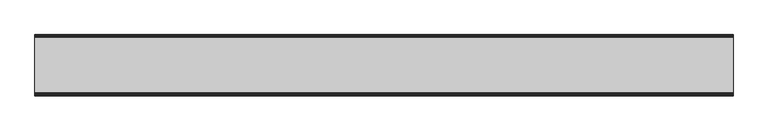
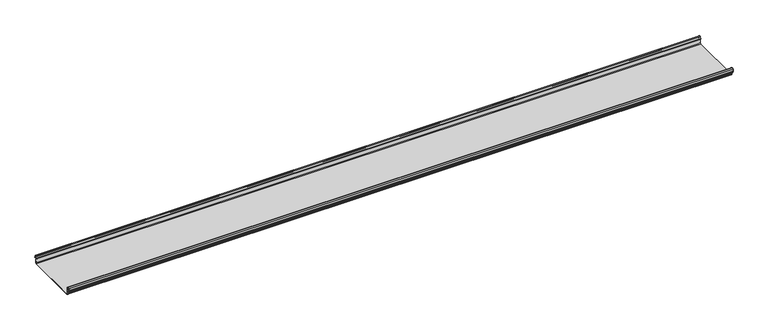
"""IFC4 building model written with IfcOpenShell, lengths in millimetres: beam geometry."""

from ifc_helpers import new_model, si_unit, frame, origin, place, context, project, spatial, polyline, circle_curve, source, transform, mapped, element, save
from ifc_brep_helpers import plane_surface, cylinder_surface, revolved_surface, advanced_brep


def beam_9881de9e(model_context):
    return source(origin(), model_context, "Body", "AdvancedBrep", [
        advanced_brep(
        [(2010.2907086, 174.5298471, 17.4730576), (2010.2907086, 169.9958217, 21.2486363), (2010.2907086, 165.4890072, 17.6093124), (2010.2907086, 163.0420077, 6.2503755), (2010.2907086, 164.7006671, 3.7959761), (2010.2907086, 165.8698319, 2.0849359), (2010.2907086, 164.3793103, -21.3247551), (2010.2907086, 160.6848586, -24.7896475), (2010.2907086, -159.5640942, -24.7896475), (2010.2907086, -163.2568715, -21.3207217), (2010.2907086, -164.7263748, 2.1632779), (2010.2907086, -164.0984471, 3.0966958), (2010.2907086, -161.8868093, 6.1624874), (2010.2907086, -162.770348, 17.3389905), (2010.2907086, -170.0, 24.0196704), (2010.2907086, -177.229652, 17.3389905), (2010.2907086, -178.1131907, 6.1624874), (2010.2907086, -175.9015529, 3.0966958), (2010.2907086, -175.2736252, 2.1632779), (2010.2907086, -175.6653397, -4.0966758), (2010.2907086, -174.6633838, -4.0966758), (2010.2907086, -174.255975, 2.4140875), (2010.2907086, -175.661391, 4.0675496), (2010.2907086, -177.1158116, 6.08368), (2010.2907086, -176.2261211, 17.3379999), (2010.2907086, -170.0, 23.0196704), (2010.2907086, -163.767144, 17.2589936), (2010.2907086, -162.8795452, 6.0037927), (2010.2907086, -164.338609, 4.0675496), (2010.2907086, -165.744025, 2.4140875), (2010.2907086, -164.2549195, -21.3831743), (2010.2907086, -159.5640942, -25.7896475), (2010.2907086, 160.6846135, -25.7896475), (2010.2907086, 165.3772895, -21.3882975), (2010.2907086, 166.868024, 2.0247376), (2010.2907086, 164.9644432, 4.7613501), (2010.2907086, 164.0277999, 6.0779003), (2010.2907086, 166.4434849, 17.2822335), (2010.2907086, 170.0063307, 20.2496221), (2010.2907086, 173.4803249, 17.6539317), (2010.2907086, 175.5075757, 6.5459412), (2010.2907086, 176.5074356, 6.7299959), (-2010.2907086, 174.5298471, 17.4730576), (-2010.2907086, 176.5074356, 6.7299959), (-2010.2907086, 175.5075757, 6.5459412), (-2010.2907086, 173.4803249, 17.6539317), (-2010.2907086, 170.0063307, 20.2496221), (-2010.2907086, 166.4434849, 17.2822335), (-2010.2907086, 164.0277999, 6.0779003), (-2010.2907086, 164.9644432, 4.7613501), (-2010.2907086, 166.868024, 2.0247376), (-2010.2907086, 165.3772895, -21.3882975), (-2010.2907086, 160.6846135, -25.7896475), (-2010.2907086, -159.5640942, -25.7896475), (-2010.2907086, -164.2549195, -21.3831743), (-2010.2907086, -165.744025, 2.4140875), (-2010.2907086, -164.338609, 4.0675496), (-2010.2907086, -162.8795452, 6.0037927), (-2010.2907086, -163.767144, 17.2589936), (-2010.2907086, -170.0, 23.0196704), (-2010.2907086, -176.2261211, 17.3379999), (-2010.2907086, -177.1158116, 6.08368), (-2010.2907086, -175.661391, 4.0675496), (-2010.2907086, -174.255975, 2.4140875), (-2010.2907086, -174.6633838, -4.0966758), (-2010.2907086, -175.6653397, -4.0966758), (-2010.2907086, -175.2736252, 2.1632779), (-2010.2907086, -175.9015529, 3.0966958), (-2010.2907086, -178.1066021, 6.2458324), (-2010.2907086, -177.229652, 17.3389905), (-2010.2907086, -170.0, 24.0196704), (-2010.2907086, -162.770348, 17.3389905), (-2010.2907086, -161.8868093, 6.1624874), (-2010.2907086, -164.0984471, 3.0966958), (-2010.2907086, -164.7263748, 2.1632779), (-2010.2907086, -163.2568715, -21.3207217), (-2010.2907086, -159.5640942, -24.7896475), (-2010.2907086, 160.6848586, -24.7896475), (-2010.2907086, 164.3793103, -21.3247551), (-2010.2907086, 165.8698319, 2.0849359), (-2010.2907086, 164.7006671, 3.7959761), (-2010.2907086, 163.0420077, 6.2503755), (-2010.2907086, 165.4890072, 17.6093124), (-2010.2907086, 169.9958217, 21.2486363)],
        [
            (0, 1, circle_curve(frame((2010.2907086, 169.9958217, 16.6384317), z_axis=(1.0, 0.0, 0.0), x_axis=(0.0, -1.0, 0.0)), 4.6102046)),
            (1, 2, circle_curve(frame((2010.2907086, 169.9958217, 16.6384317), z_axis=(1.0, 0.0, 0.0), x_axis=(0.0, -1.0, 0.0)), 4.6102046)),
            (2, 3),
            (3, 4, circle_curve(frame((2010.2907086, 165.4262002, 6.073937), z_axis=(1.0, 0.0, 0.0), x_axis=(0.0, -1.0, 0.0)), 2.3907121)),
            (4, 5, circle_curve(frame((2010.2907086, 164.1897695, 2.1919074), z_axis=(-1.0, 0.0, 0.0), x_axis=(0.0, -1.0, 0.0)), 1.6834645)),
            (5, 6),
            (6, 7, circle_curve(frame((2010.2907086, 160.6867875, -21.089648), z_axis=(-1.0, 0.0, 0.0), x_axis=(0.0, -1.0, 0.0)), 3.7)),
            (7, 8),
            (8, 9, circle_curve(frame((2010.2907086, -159.5640942, -21.0896475), z_axis=(-1.0, 0.0, 0.0), x_axis=(0.0, -1.0, 0.0)), 3.7)),
            (9, 10),
            (10, 11, circle_curve(frame((2010.2907086, -163.8044049, 2.2209698), z_axis=(-1.0, 0.0, 0.0), x_axis=(0.0, -1.0, 0.0)), 0.9237732)),
            (11, 12, circle_curve(frame((2010.2907086, -164.7984694, 5.9323112), z_axis=(1.0, 0.0, 0.0), x_axis=(0.0, -1.0, 0.0)), 2.9207441)),
            (12, 13),
            (13, 14, circle_curve(frame((2010.2907086, -170.0, 16.7674631), z_axis=(1.0, 0.0, 0.0), x_axis=(0.0, -1.0, 0.0)), 7.2522073)),
            (14, 15, circle_curve(frame((2010.2907086, -170.0, 16.7674631), z_axis=(1.0, 0.0, 0.0), x_axis=(0.0, -1.0, 0.0)), 7.2522073)),
            (15, 16),
            (16, 17, circle_curve(frame((2010.2907086, -175.2001089, 5.9344165), z_axis=(1.0, 0.0, 0.0), x_axis=(0.0, -1.0, 0.0)), 2.9231288)),
            (17, 18, circle_curve(frame((2010.2907086, -176.1025472, 2.2835649), z_axis=(-1.0, 0.0, 0.0), x_axis=(0.0, -1.0, 0.0)), 0.8376041)),
            (18, 19),
            (19, 20, circle_curve(frame((2010.2907086, -175.1643617, -4.0966758), z_axis=(1.0, 0.0, 0.0), x_axis=(0.0, -1.0, 0.0)), 0.5009779)),
            (20, 21),
            (21, 22, circle_curve(frame((2010.2907086, -176.1062911, 2.2653702), z_axis=(1.0, 0.0, 0.0), x_axis=(0.0, -1.0, 0.0)), 1.856283)),
            (22, 23, circle_curve(frame((2010.2907086, -175.2010412, 5.9323112), z_axis=(-1.0, 0.0, 0.0), x_axis=(0.0, -1.0, 0.0)), 1.9207441)),
            (23, 24),
            (24, 25, circle_curve(frame((2010.2907086, -170.0770494, 16.8518958), z_axis=(-1.0, 0.0, 0.0), x_axis=(0.0, -1.0, 0.0)), 6.1682558)),
            (25, 26, circle_curve(frame((2010.2907086, -170.0791743, 16.6817991), z_axis=(-1.0, 0.0, 0.0), x_axis=(0.0, -1.0, 0.0)), 6.3383658)),
            (26, 27),
            (27, 28, circle_curve(frame((2010.2907086, -164.70299, 5.8599936), z_axis=(-1.0, 0.0, 0.0), x_axis=(0.0, -1.0, 0.0)), 1.8291061)),
            (28, 29, circle_curve(frame((2010.2907086, -163.9886548, 2.3460727), z_axis=(1.0, 0.0, 0.0), x_axis=(0.0, -1.0, 0.0)), 1.7566874)),
            (29, 30),
            (30, 31, circle_curve(frame((2010.2907086, -159.5640942, -21.0896475), z_axis=(1.0, 0.0, 0.0), x_axis=(0.0, -1.0, 0.0)), 4.7)),
            (31, 32),
            (32, 33, circle_curve(frame((2010.2907086, 160.6846135, -21.0873301), z_axis=(1.0, 0.0, 0.0), x_axis=(0.0, -1.0, 0.0)), 4.7023174)),
            (33, 34),
            (34, 35, circle_curve(frame((2010.2907086, 164.1939121, 2.1950013), z_axis=(1.0, 0.0, 0.0), x_axis=(0.0, -1.0, 0.0)), 2.6795268)),
            (35, 36, circle_curve(frame((2010.2907086, 165.0972859, 5.8473161), z_axis=(-1.0, 0.0, 0.0), x_axis=(0.0, -1.0, 0.0)), 1.094061)),
            (36, 37),
            (37, 38, circle_curve(frame((2010.2907086, 170.0063307, 16.627032), z_axis=(-1.0, 0.0, 0.0), x_axis=(0.0, -1.0, 0.0)), 3.6225901)),
            (38, 39, circle_curve(frame((2010.2907086, 170.0063307, 16.627032), z_axis=(-1.0, 0.0, 0.0), x_axis=(0.0, -1.0, 0.0)), 3.6225901)),
            (39, 40),
            (40, 41, circle_curve(frame((2010.2907086, 176.0075057, 6.6379685), z_axis=(1.0, 0.0, 0.0), x_axis=(0.0, -1.0, 0.0)), 0.5083296)),
            (41, 0),
            (42, 43),
            (43, 44, circle_curve(frame((-2010.2907086, 176.0075057, 6.6379685), z_axis=(-1.0, 0.0, 0.0), x_axis=(0.0, -1.0, 0.0)), 0.5083296)),
            (44, 45),
            (45, 46, circle_curve(frame((-2010.2907086, 170.0063307, 16.627032), z_axis=(1.0, 0.0, 0.0), x_axis=(0.0, -1.0, 0.0)), 3.6225901)),
            (46, 47, circle_curve(frame((-2010.2907086, 170.0063307, 16.627032), z_axis=(1.0, 0.0, 0.0), x_axis=(0.0, -1.0, 0.0)), 3.6225901)),
            (47, 48),
            (48, 49, circle_curve(frame((-2010.2907086, 165.0972859, 5.8473161), z_axis=(1.0, 0.0, 0.0), x_axis=(0.0, -1.0, 0.0)), 1.094061)),
            (49, 50, circle_curve(frame((-2010.2907086, 164.1939121, 2.1950013), z_axis=(-1.0, 0.0, 0.0), x_axis=(0.0, -1.0, 0.0)), 2.6795268)),
            (50, 51),
            (51, 52, circle_curve(frame((-2010.2907086, 160.6846135, -21.0873301), z_axis=(-1.0, 0.0, 0.0), x_axis=(0.0, -1.0, 0.0)), 4.7023174)),
            (52, 53),
            (53, 54, circle_curve(frame((-2010.2907086, -159.5640942, -21.0896475), z_axis=(-1.0, 0.0, 0.0), x_axis=(0.0, -1.0, 0.0)), 4.7)),
            (54, 55),
            (55, 56, circle_curve(frame((-2010.2907086, -163.9886548, 2.3460727), z_axis=(-1.0, 0.0, 0.0), x_axis=(0.0, -1.0, 0.0)), 1.7566874)),
            (56, 57, circle_curve(frame((-2010.2907086, -164.70299, 5.8599936), z_axis=(1.0, 0.0, 0.0), x_axis=(0.0, -1.0, 0.0)), 1.8291061)),
            (57, 58),
            (58, 59, circle_curve(frame((-2010.2907086, -170.0791743, 16.6817991), z_axis=(1.0, 0.0, 0.0), x_axis=(0.0, -1.0, 0.0)), 6.3383658)),
            (59, 60, circle_curve(frame((-2010.2907086, -170.0770494, 16.8518958), z_axis=(1.0, 0.0, 0.0), x_axis=(0.0, -1.0, 0.0)), 6.1682558)),
            (60, 61),
            (61, 62, circle_curve(frame((-2010.2907086, -175.2010412, 5.9323112), z_axis=(1.0, 0.0, 0.0), x_axis=(0.0, -1.0, 0.0)), 1.9207441)),
            (62, 63, circle_curve(frame((-2010.2907086, -176.1062911, 2.2653702), z_axis=(-1.0, 0.0, 0.0), x_axis=(0.0, -1.0, 0.0)), 1.856283)),
            (63, 64),
            (64, 65, circle_curve(frame((-2010.2907086, -175.1643617, -4.0966758), z_axis=(-1.0, 0.0, 0.0), x_axis=(0.0, -1.0, 0.0)), 0.5009779)),
            (65, 66),
            (66, 67, circle_curve(frame((-2010.2907086, -176.1025472, 2.2835649), z_axis=(1.0, 0.0, 0.0), x_axis=(0.0, -1.0, 0.0)), 0.8376041)),
            (67, 68, circle_curve(frame((-2010.2907086, -175.2001089, 5.9344165), z_axis=(-1.0, 0.0, 0.0), x_axis=(0.0, -1.0, 0.0)), 2.9231288)),
            (68, 69),
            (69, 70, circle_curve(frame((-2010.2907086, -170.0, 16.7674631), z_axis=(-1.0, 0.0, 0.0), x_axis=(0.0, -1.0, 0.0)), 7.2522073)),
            (70, 71, circle_curve(frame((-2010.2907086, -170.0, 16.7674631), z_axis=(-1.0, 0.0, 0.0), x_axis=(0.0, -1.0, 0.0)), 7.2522073)),
            (71, 72),
            (72, 73, circle_curve(frame((-2010.2907086, -164.7984694, 5.9323112), z_axis=(-1.0, 0.0, 0.0), x_axis=(0.0, -1.0, 0.0)), 2.9207441)),
            (73, 74, circle_curve(frame((-2010.2907086, -163.8044049, 2.2209698), z_axis=(1.0, 0.0, 0.0), x_axis=(0.0, -1.0, 0.0)), 0.9237732)),
            (74, 75),
            (75, 76, circle_curve(frame((-2010.2907086, -159.5640942, -21.0896475), z_axis=(1.0, 0.0, 0.0), x_axis=(0.0, -1.0, 0.0)), 3.7)),
            (76, 77),
            (77, 78, circle_curve(frame((-2010.2907086, 160.6867875, -21.089648), z_axis=(1.0, 0.0, 0.0), x_axis=(0.0, -1.0, 0.0)), 3.7)),
            (78, 79),
            (79, 80, circle_curve(frame((-2010.2907086, 164.1897695, 2.1919074), z_axis=(1.0, 0.0, 0.0), x_axis=(0.0, -1.0, 0.0)), 1.6834645)),
            (80, 81, circle_curve(frame((-2010.2907086, 165.4262002, 6.073937), z_axis=(-1.0, 0.0, 0.0), x_axis=(0.0, -1.0, 0.0)), 2.3907121)),
            (81, 82),
            (82, 83, circle_curve(frame((-2010.2907086, 169.9958217, 16.6384317), z_axis=(-1.0, 0.0, 0.0), x_axis=(0.0, -1.0, 0.0)), 4.6102046)),
            (83, 42, circle_curve(frame((-2010.2907086, 169.9958217, 16.6384317), z_axis=(-1.0, 0.0, 0.0), x_axis=(0.0, -1.0, 0.0)), 4.6102046)),
            (42, 0),
            (41, 43),
            (40, 44),
            (39, 45),
            (38, 46),
            (37, 47),
            (36, 48),
            (35, 49),
            (34, 50),
            (33, 51),
            (32, 52),
            (31, 53),
            (30, 54),
            (29, 55),
            (28, 56),
            (27, 57),
            (26, 58),
            (25, 59),
            (24, 60),
            (23, 61),
            (22, 62),
            (21, 63),
            (20, 64),
            (19, 65),
            (18, 66),
            (17, 67),
            (16, 68),
            (15, 69),
            (14, 70),
            (13, 71),
            (12, 72),
            (11, 73),
            (10, 74),
            (9, 75),
            (8, 76),
            (7, 77),
            (6, 78),
            (5, 79),
            (4, 80),
            (3, 81),
            (2, 82),
            (1, 83),
        ],
        [
            plane_surface(frame((2010.2907086, 176.5074356, 6.7299959), z_axis=(1.0000000000000002, 0.0, 0.0), x_axis=(0.0, -0.18103878268248824, 0.9834759575936989))),
            plane_surface(frame((-2010.2907086, 176.5074356, 6.7299959), z_axis=(-1.0000000000000002, 0.0, 0.0), x_axis=(0.0, 0.18103878268248824, -0.9834759575936989))),
            plane_surface(frame((-2010.2907086, 174.5298471, 17.4730576), z_axis=(0.0, 0.9834759575936989, 0.18103878268248824), x_axis=(1.0, 0.0, 0.0))),
            cylinder_surface(frame((2010.2907086, 176.0075057, 6.6379685), z_axis=(-1.0, 0.0, 0.0), x_axis=(0.0, -1.0, 0.0)), 0.5083296),
            plane_surface(frame((-2010.2907086, 175.5075757, 6.5459412), z_axis=(0.0, -0.9837509798367421, -0.17953832368118477), x_axis=(1.0, 0.0, 0.0))),
            revolved_surface(polyline([(2010.2907086, 166.3837406, 16.627032), (-2010.2907086, 166.3837406, 16.627032)]), (2010.2907086, 170.0063307, 16.627032), (1.0, 0.0, 0.0)),
            plane_surface(frame((-2010.2907086, 166.4434849, 17.2822335), z_axis=(0.0, 0.977537868063593, -0.21075985505234474), x_axis=(1.0, 0.0, 0.0))),
            revolved_surface(polyline([(2010.2907086, 164.0032249, 5.8473161), (-2010.2907086, 164.0032249, 5.8473161)]), (2010.2907086, 165.0972859, 5.8473161), (1.0, 0.0, 0.0)),
            cylinder_surface(frame((2010.2907086, 164.1939121, 2.1950013), z_axis=(-1.0, 0.0, 0.0), x_axis=(0.0, -1.0, 0.0)), 2.6795268),
            plane_surface(frame((-2010.2907086, 166.868024, 2.0247376), z_axis=(0.0, 0.9979791357337671, -0.06354246328309475), x_axis=(1.0, 0.0, 0.0))),
            cylinder_surface(frame((2010.2907086, 160.6846135, -21.0873301), z_axis=(-1.0, 0.0, 0.0), x_axis=(0.0, -1.0, 0.0)), 4.7023174),
            plane_surface(frame((-2010.2907086, 160.6846135, -25.7896475), z_axis=(0.0, 0.0, -1.0), x_axis=(1.0, 0.0, 0.0))),
            cylinder_surface(frame((2010.2907086, -159.5640942, -21.0896475), z_axis=(-1.0, 0.0, 0.0), x_axis=(0.0, -1.0, 0.0)), 4.7),
            plane_surface(frame((-2010.2907086, -164.2549195, -21.3831743), z_axis=(0.0, -0.998047936803975, -0.062452508687232275), x_axis=(1.0, 0.0, 0.0))),
            cylinder_surface(frame((2010.2907086, -163.9886548, 2.3460727), z_axis=(-1.0, 0.0, 0.0), x_axis=(0.0, -1.0, 0.0)), 1.7566874),
            revolved_surface(polyline([(2010.2907086, -166.5320961, 5.8599936), (-2010.2907086, -166.5320961, 5.8599936)]), (2010.2907086, -164.70299, 5.8599936), (1.0, 0.0, 0.0)),
            plane_surface(frame((-2010.2907086, -162.8795452, 6.0037927), z_axis=(0.0, -0.9969048840808036, -0.07861712342638659), x_axis=(1.0, 0.0, 0.0))),
            revolved_surface(polyline([(2010.2907086, -176.4175401, 16.6817991), (-2010.2907086, -176.4175401, 16.6817991)]), (2010.2907086, -170.0791743, 16.6817991), (1.0, 0.0, 0.0)),
            revolved_surface(polyline([(2010.2907086, -176.2453052, 16.8518958), (-2010.2907086, -176.2453052, 16.8518958)]), (2010.2907086, -170.0770494, 16.8518958), (1.0, 0.0, 0.0)),
            plane_surface(frame((-2010.2907086, -176.2261211, 17.3379999), z_axis=(0.0, 0.9968898625471324, -0.07880737243912894), x_axis=(1.0, 0.0, 0.0))),
            revolved_surface(polyline([(2010.2907086, -177.1217853, 5.9323112), (-2010.2907086, -177.1217853, 5.9323112)]), (2010.2907086, -175.2010412, 5.9323112), (1.0, 0.0, 0.0)),
            cylinder_surface(frame((2010.2907086, -176.1062911, 2.2653702), z_axis=(-1.0, 0.0, 0.0), x_axis=(0.0, -1.0, 0.0)), 1.856283),
            plane_surface(frame((-2010.2907086, -174.255975, 2.4140875), z_axis=(0.0, 0.9980479368039775, -0.062452508687190836), x_axis=(1.0, 0.0, 0.0))),
            cylinder_surface(frame((2010.2907086, -175.1643617, -4.0966758), z_axis=(-1.0, 0.0, 0.0), x_axis=(0.0, -1.0, 0.0)), 0.5009779),
            plane_surface(frame((-2010.2907086, -175.6653397, -4.0966758), z_axis=(0.0, -0.9980479368039783, 0.0624525086871798), x_axis=(1.0, 0.0, 0.0))),
            revolved_surface(polyline([(2010.2907086, -176.9401513, 2.2835649), (-2010.2907086, -176.9401513, 2.2835649)]), (2010.2907086, -176.1025472, 2.2835649), (1.0, 0.0, 0.0)),
            cylinder_surface(frame((2010.2907086, -175.2001089, 5.9344165), z_axis=(-1.0, 0.0, 0.0), x_axis=(0.0, -1.0, 0.0)), 2.9231288),
            plane_surface(frame((-2010.2907086, -178.1131907, 6.1624874), z_axis=(0.0, -0.9968898625471329, 0.07880737243912257), x_axis=(1.0, 0.0, 0.0))),
            cylinder_surface(frame((2010.2907086, -170.0, 16.7674631), z_axis=(-1.0, 0.0, 0.0), x_axis=(0.0, -1.0, 0.0)), 7.2522073),
            plane_surface(frame((-2010.2907086, -162.770348, 17.3389905), z_axis=(0.0, 0.9968898625471306, 0.07880737243915131), x_axis=(1.0, 0.0, 0.0))),
            cylinder_surface(frame((2010.2907086, -164.7984694, 5.9323112), z_axis=(-1.0, 0.0, 0.0), x_axis=(0.0, -1.0, 0.0)), 2.9207441),
            revolved_surface(polyline([(2010.2907086, -164.7281781, 2.2209698), (-2010.2907086, -164.7281781, 2.2209698)]), (2010.2907086, -163.8044049, 2.2209698), (1.0, 0.0, 0.0)),
            plane_surface(frame((-2010.2907086, -164.7263748, 2.1632779), z_axis=(0.0, 0.9980479368039752, 0.062452508687228465), x_axis=(1.0, 0.0, 0.0))),
            revolved_surface(polyline([(2010.2907086, -163.2640942, -21.0896475), (-2010.2907086, -163.2640942, -21.0896475)]), (2010.2907086, -159.5640942, -21.0896475), (1.0, 0.0, 0.0)),
            plane_surface(frame((-2010.2907086, -159.5640942, -24.7896475), z_axis=(0.0, 0.0, 1.0), x_axis=(1.0, 0.0, 0.0))),
            revolved_surface(polyline([(2010.2907086, 156.98678750000002, -21.089648), (-2010.2907086, 156.98678750000002, -21.089648)]), (2010.2907086, 160.6867875, -21.089648), (1.0, 0.0, 0.0)),
            plane_surface(frame((-2010.2907086, 164.3793103, -21.3247551), z_axis=(0.0, -0.9979791357337673, 0.06354246328309172), x_axis=(1.0, 0.0, 0.0))),
            revolved_surface(polyline([(2010.2907086, 162.506305, 2.1919074), (-2010.2907086, 162.506305, 2.1919074)]), (2010.2907086, 164.1897695, 2.1919074), (1.0, 0.0, 0.0)),
            cylinder_surface(frame((2010.2907086, 165.4262002, 6.073937), z_axis=(-1.0, 0.0, 0.0), x_axis=(0.0, -1.0, 0.0)), 2.3907121),
            plane_surface(frame((-2010.2907086, 163.0420077, 6.2503755), z_axis=(0.0, -0.9775736456656271, 0.21059384440200307), x_axis=(1.0, 0.0, 0.0))),
            cylinder_surface(frame((2010.2907086, 169.9958217, 16.6384317), z_axis=(-1.0, 0.0, 0.0), x_axis=(0.0, -1.0, 0.0)), 4.6102046),
        ],
        [
            (0, [[1, 2, 3, 4, 5, 6, 7, 8, 9, 10, 11, 12, 13, 14, 15, 16, 17, 18, 19, 20, 21, 22, 23, 24, 25, 26, 27, 28, 29, 30, 31, 32, 33, 34, 35, 36, 37, 38, 39, 40, 41, 42]]),
            (1, [[43, 44, 45, 46, 47, 48, 49, 50, 51, 52, 53, 54, 55, 56, 57, 58, 59, 60, 61, 62, 63, 64, 65, 66, 67, 68, 69, 70, 71, 72, 73, 74, 75, 76, 77, 78, 79, 80, 81, 82, 83, 84]]),
            (2, [[-43, 85, -42, 86]]),
            (3, [[-44, -86, -41, 87]]),
            (4, [[-45, -87, -40, 88]]),
            (5, [[-46, -88, -39, 89]]),
            (5, [[-47, -89, -38, 90]]),
            (6, [[-48, -90, -37, 91]]),
            (7, [[-49, -91, -36, 92]]),
            (8, [[-50, -92, -35, 93]]),
            (9, [[-51, -93, -34, 94]]),
            (10, [[-52, -94, -33, 95]]),
            (11, [[-53, -95, -32, 96]]),
            (12, [[-54, -96, -31, 97]]),
            (13, [[-55, -97, -30, 98]]),
            (14, [[-56, -98, -29, 99]]),
            (15, [[-57, -99, -28, 100]]),
            (16, [[-58, -100, -27, 101]]),
            (17, [[-59, -101, -26, 102]]),
            (18, [[-60, -102, -25, 103]]),
            (19, [[-61, -103, -24, 104]]),
            (20, [[-62, -104, -23, 105]]),
            (21, [[-63, -105, -22, 106]]),
            (22, [[-64, -106, -21, 107]]),
            (23, [[-65, -107, -20, 108]]),
            (24, [[-66, -108, -19, 109]]),
            (25, [[-67, -109, -18, 110]]),
            (26, [[-68, -110, -17, 111]]),
            (27, [[-69, -111, -16, 112]]),
            (28, [[-70, -112, -15, 113]]),
            (28, [[-71, -113, -14, 114]]),
            (29, [[-72, -114, -13, 115]]),
            (30, [[-73, -115, -12, 116]]),
            (31, [[-74, -116, -11, 117]]),
            (32, [[-75, -117, -10, 118]]),
            (33, [[-76, -118, -9, 119]]),
            (34, [[-77, -119, -8, 120]]),
            (35, [[-78, -120, -7, 121]]),
            (36, [[-79, -121, -6, 122]]),
            (37, [[-80, -122, -5, 123]]),
            (38, [[-81, -123, -4, 124]]),
            (39, [[-82, -124, -3, 125]]),
            (40, [[-83, -125, -2, 126]]),
            (40, [[-84, -126, -1, -85]]),
        ],
    ),
    ])


if __name__ == "__main__":
    model = new_model("IFC4")
    model_context = context("Model", 3, world=origin())
    ifc_project = project(units=[si_unit("LENGTHUNIT", "METRE", prefix="MILLI")], contexts=[model_context])
    site = spatial("IfcSite", under=ifc_project)
    building = spatial("IfcBuilding", under=site)
    placement = place(None, origin())
    beam_shape = beam_9881de9e(model_context)
    element("IfcBeam", 1, at=placement, inside=building, context=model_context, shape_type="MappedRepresentation", body=[
        mapped(beam_shape, transform((0.0, 0.0, 0.0), x_axis=(1.0, 0.0, 0.0), y_axis=(0.0, 1.0, 0.0), z_axis=(0.0, 0.0, 1.0))),
    ])
    save(model, "model.ifc")
